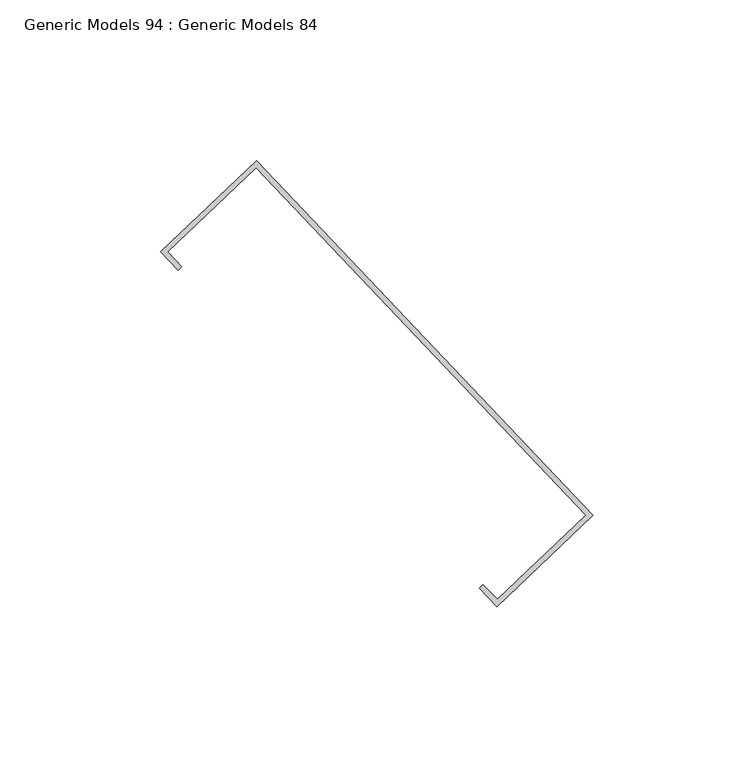
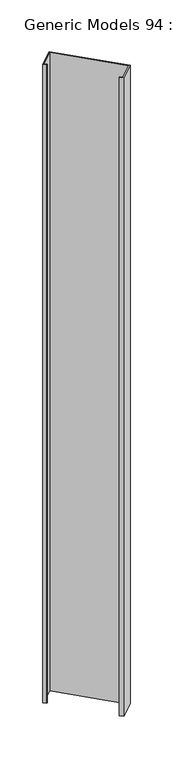
"""IFC4 building model written with IfcOpenShell, lengths in millimetres: proxy geometry, Generic Models 94 : Generic Models 84."""

from ifc_helpers import new_model, si_unit, frame, origin, place, context, project, spatial, polyline, outline, extrude, source, transform, mapped, element, save


def generic_models_94_generic_models_84_c5364796(model_context):
    return source(origin(), model_context, "Body", "SweptSolid", [
        extrude(outline(polyline([(108508.502954, 48684.6578601), (108478.5631268, 48656.246025), (108473.0993124, 48662.003684), (108474.2508442, 48663.0964469), (108478.6218958, 48658.4903197), (108506.2586593, 48684.716629), (108403.5389477, 48792.9606195), (108375.9021842, 48766.7343102), (108380.2732358, 48762.1281829), (108379.1217039, 48761.03542), (108373.6578895, 48766.7930791), (108403.5977167, 48795.2049142), (108508.502954, 48684.6578601)])), frame((0.0, 0.0, 17119.9175), z_axis=(0.0, 0.0, 1.0), x_axis=(1.0, 0.0, 0.0)), (0.0, 0.0, 1.0), 1410.0183985),
    ])


if __name__ == "__main__":
    model = new_model("IFC4")
    model_context = context("Model", 3, world=origin())
    ifc_project = project(units=[si_unit("LENGTHUNIT", "METRE", prefix="MILLI")], contexts=[model_context])
    site = spatial("IfcSite", under=ifc_project)
    building = spatial("IfcBuilding", under=site)
    placement = place(None, origin())
    generic_models_94_generic_models_84_shape = generic_models_94_generic_models_84_c5364796(model_context)
    element("IfcBuildingElementProxy", 1, Name="Generic Models 94 : Generic Models 84", ObjectType="Generic Models 94 : Generic Models 84", at=placement, inside=building, context=model_context, shape_type="MappedRepresentation", body=[
        mapped(generic_models_94_generic_models_84_shape, transform((0.0, 0.0, 0.0), x_axis=(1.0, 0.0, 0.0), y_axis=(0.0, 1.0, 0.0), z_axis=(0.0, 0.0, 1.0))),
    ])
    save(model, "model.ifc")
